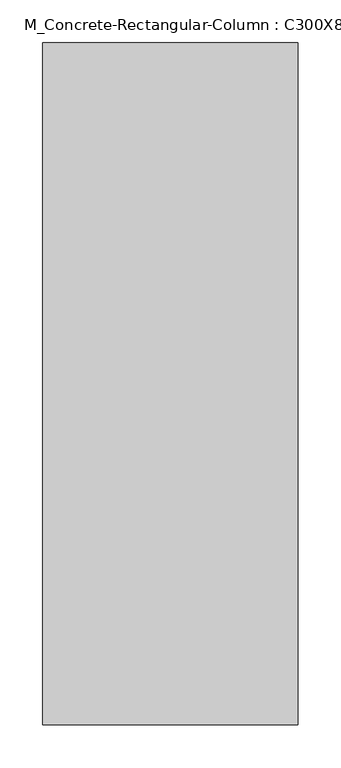
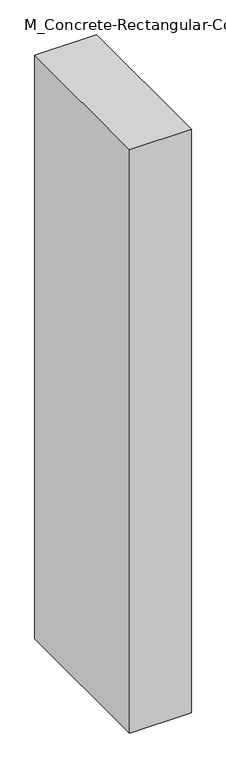
"""IFC4 building model written with IfcOpenShell, lengths in millimetres: column geometry, M_Concrete-Rectangular-Column : C300X800."""

from ifc_helpers import new_model, si_unit, origin, origin_with_axes, place, context, project, spatial, polyline, outline, extrude, source, transform, mapped, element, save


def m_concrete_rectangular_column_c300x800_e1589cb3(model_context):
    return source(origin(), model_context, "Body", "SweptSolid", [
        extrude(outline(polyline([(150.0, 400.0), (150.0, -400.0), (-150.0, -400.0), (-150.0, 400.0), (150.0, 400.0)])), origin_with_axes(), (0.0, 0.0, 1.0), 3000.0),
    ])


if __name__ == "__main__":
    model = new_model("IFC4")
    model_context = context("Model", 3, world=origin())
    ifc_project = project(units=[si_unit("LENGTHUNIT", "METRE", prefix="MILLI")], contexts=[model_context])
    site = spatial("IfcSite", under=ifc_project)
    building = spatial("IfcBuilding", under=site)
    placement = place(None, origin())
    m_concrete_rectangular_column_c300x800_shape = m_concrete_rectangular_column_c300x800_e1589cb3(model_context)
    element("IfcColumn", 1, ObjectType="M_Concrete-Rectangular-Column : C300X800", at=placement, inside=building, context=model_context, shape_type="MappedRepresentation", body=[
        mapped(m_concrete_rectangular_column_c300x800_shape, transform((0.0, 0.0, 0.0), x_axis=(1.0, 0.0, 0.0), y_axis=(0.0, 1.0, 0.0), z_axis=(0.0, 0.0, 1.0))),
    ])
    save(model, "model.ifc")
